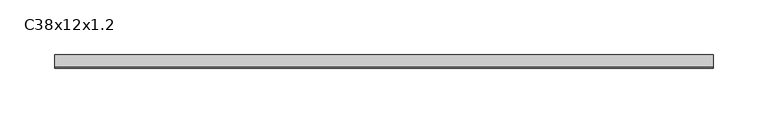
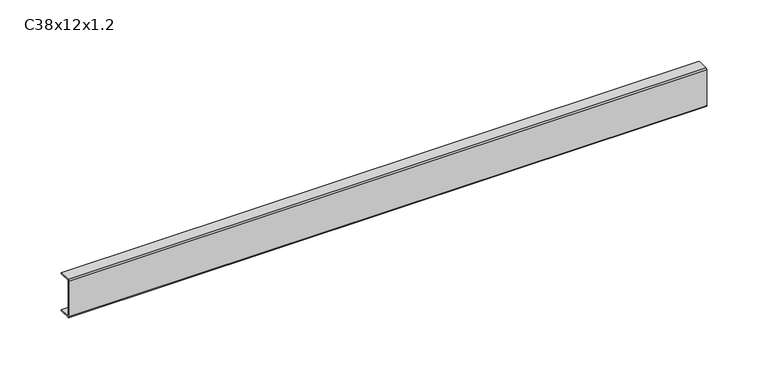
"""IFC4 building model written with IfcOpenShell, lengths in millimetres: proxy geometry, C38x12x1.2."""

import ifcopenshell
import ifcopenshell.guid

model = None  # the IFC model being written
_history = None  # IfcOwnerHistory: only IFC2X3 demands one
_inside = {}  # id of a spatial element -> (the spatial element, [elements in it])
_under = {}  # id of a project, library or spatial element -> (it, [spatial elements below it])
_declared = {}  # id of a project -> (the project, [libraries it declares])
_typed = {}  # id of a type object -> (the type object, [elements of that type])
_made_of = {}  # id of a material, layer set ... -> (it, [elements and type objects made of it])


def new_model(schema):
    """Start an empty IFC model of exactly this schema.

    Asked for "IFC4X3", IfcOpenShell would pick the latest addendum, in which some entities
    have other attributes; the version numbers below select the first issue.
    IFC2X3 requires an IfcOwnerHistory on every rooted entity: one is made here for all.
    """
    global model, _history
    if schema == "IFC4X3":
        model = ifcopenshell.file(schema_version=(4, 3, 0, 0))
    else:
        model = ifcopenshell.file(schema=schema)
    _inside.clear()
    _under.clear()
    _declared.clear()
    _typed.clear()
    _made_of.clear()
    _history = None
    if model.schema == "IFC2X3":
        org = make("IfcOrganization", Name="unknown")
        user = make(
            "IfcPersonAndOrganization",
            ThePerson=make("IfcPerson", FamilyName="unknown"),
            TheOrganization=org,
        )
        app = make(
            "IfcApplication",
            ApplicationDeveloper=org,
            Version="unknown",
            ApplicationFullName="unknown",
            ApplicationIdentifier="unknown",
        )
        _history = make(
            "IfcOwnerHistory",
            OwningUser=user,
            OwningApplication=app,
            ChangeAction="ADDED",
            CreationDate=0,
        )
    return model


def make(cls, **values):
    """One entity of the class cls with the attributes given. An attribute that is None is left unset."""
    return model.create_entity(
        cls, **{name: value for name, value in values.items() if value is not None}
    )


def rooted(cls, **values):
    """An entity with a GlobalId (a new one), such as an element, a storey or a relation."""
    return make(cls, GlobalId=ifcopenshell.guid.new(), OwnerHistory=_history, **values)


def si_unit(unit_type, name, prefix=None):
    """IfcSIUnit, for example si_unit("LENGTHUNIT", "METRE", prefix="MILLI")."""
    return make("IfcSIUnit", UnitType=unit_type, Prefix=prefix, Name=name)


def assignment(units):
    """IfcUnitAssignment: the units of a project."""
    return None if units is None else make("IfcUnitAssignment", Units=units)


def point(xyz):
    """IfcCartesianPoint."""
    return None if xyz is None else make("IfcCartesianPoint", Coordinates=xyz)


def direction(xyz):
    """IfcDirection."""
    return None if xyz is None else make("IfcDirection", DirectionRatios=xyz)


def frame(location, z_axis=None, x_axis=None):
    """IfcAxis2Placement3D, a coordinate frame: its origin and axes. An axis left out is left unset."""
    return make(
        "IfcAxis2Placement3D",
        Location=point(location),
        Axis=direction(z_axis),
        RefDirection=direction(x_axis),
    )


def frame_2d(location, x_axis=None):
    """IfcAxis2Placement2D, a coordinate frame in the plane: its origin and x axis."""
    return make(
        "IfcAxis2Placement2D", Location=point(location), RefDirection=direction(x_axis)
    )


def origin():
    """The frame at (0, 0, 0) with its axes left unset."""
    return frame((0.0, 0.0, 0.0))


def place(relative_to, where):
    """IfcLocalPlacement: puts the frame where relative to a parent placement (None: the world)."""
    return make(
        "IfcLocalPlacement", PlacementRelTo=relative_to, RelativePlacement=where
    )


def context(
    kind, dimensions, precision=None, world=None, true_north=None, identifier=None
):
    """IfcGeometricRepresentationContext, for example the 3D "Model" context."""
    return make(
        "IfcGeometricRepresentationContext",
        ContextIdentifier=identifier,
        ContextType=kind,
        CoordinateSpaceDimension=dimensions,
        Precision=precision,
        WorldCoordinateSystem=world,
        TrueNorth=true_north,
    )


def project(units=None, contexts=None):
    """IfcProject with its units and contexts."""
    return rooted(
        "IfcProject",
        Name="project",
        RepresentationContexts=contexts,
        UnitsInContext=assignment(units),
    )


def spatial(cls, under=None, at=None, **own):
    """A site, building, storey or space (cls), placed at a placement, below another one or the project."""
    s = rooted(cls, ObjectPlacement=at, **own)
    if under is not None:
        _under.setdefault(under.id(), (under, []))[1].append(s)
    return s


def polyline(points):
    """IfcPolyline through the points."""
    return make("IfcPolyline", Points=[point(p) for p in points])


def circle_curve(where, radius):
    """IfcCircle in the frame where."""
    return make("IfcCircle", Position=where, Radius=radius)


def trimmed(basis, trim1, trim2, sense, master):
    """IfcTrimmedCurve: the piece of a basis curve between two trims."""
    return make(
        "IfcTrimmedCurve",
        BasisCurve=basis,
        Trim1=trim1,
        Trim2=trim2,
        SenseAgreement=sense,
        MasterRepresentation=master,
    )


def segment(curve, same_sense, transition):
    """IfcCompositeCurveSegment."""
    return make(
        "IfcCompositeCurveSegment",
        Transition=transition,
        SameSense=same_sense,
        ParentCurve=curve,
    )


def composite_curve(segments, self_intersect=None):
    """IfcCompositeCurve: segments joined end to end."""
    return make("IfcCompositeCurve", Segments=segments, SelfIntersect=self_intersect)


def outline(outer, holes=None, kind="AREA"):
    """IfcArbitraryClosedProfileDef: a profile drawn as a closed curve; with holes, ...WithVoids."""
    if holes is None:
        return make("IfcArbitraryClosedProfileDef", ProfileType=kind, OuterCurve=outer)
    return make(
        "IfcArbitraryProfileDefWithVoids",
        ProfileType=kind,
        OuterCurve=outer,
        InnerCurves=holes,
    )


def extrude(swept, where, along, depth):
    """IfcExtrudedAreaSolid: the profile swept, set in the frame where, extruded along a direction by depth."""
    return make(
        "IfcExtrudedAreaSolid",
        SweptArea=swept,
        Position=where,
        ExtrudedDirection=direction(along),
        Depth=depth,
    )


def shape(context_of_items, identifier, shape_type, items):
    """IfcShapeRepresentation: the items that make up one representation, for example the "Body"."""
    return make(
        "IfcShapeRepresentation",
        ContextOfItems=context_of_items,
        RepresentationIdentifier=identifier,
        RepresentationType=shape_type,
        Items=items,
    )


def source(mapping_origin, context_of_items, identifier, shape_type, items):
    """IfcRepresentationMap: a shape defined once, which mapped items show again and again."""
    return make(
        "IfcRepresentationMap",
        MappingOrigin=mapping_origin,
        MappedRepresentation=shape(context_of_items, identifier, shape_type, items),
    )


def transform(
    local_origin,
    x_axis=None,
    y_axis=None,
    z_axis=None,
    scale=None,
    scale2=None,
    scale3=None,
    uniform=True,
):
    """IfcCartesianTransformationOperator3D, or its non-uniform kind. x_axis, y_axis, z_axis: its Axis1, 2, 3."""
    if uniform:
        return make(
            "IfcCartesianTransformationOperator3D",
            Axis1=direction(x_axis),
            Axis2=direction(y_axis),
            LocalOrigin=point(local_origin),
            Scale=scale,
            Axis3=direction(z_axis),
        )
    return make(
        "IfcCartesianTransformationOperator3DnonUniform",
        Axis1=direction(x_axis),
        Axis2=direction(y_axis),
        LocalOrigin=point(local_origin),
        Scale=scale,
        Axis3=direction(z_axis),
        Scale2=scale2,
        Scale3=scale3,
    )


def mapped(mapping_source, mapping_target):
    """IfcMappedItem: shows the shape of a source again, moved by a transform."""
    return make(
        "IfcMappedItem", MappingSource=mapping_source, MappingTarget=mapping_target
    )


def made_of(thing, what):
    """Note that an element or type object is made of a material, layer set ...; save() writes the relation."""
    if what is not None:
        _made_of.setdefault(what.id(), (what, []))[1].append(thing)
    return thing


def element(
    cls,
    number,
    at=None,
    inside=None,
    cuts=None,
    type_object=None,
    material=None,
    context=None,
    identifier="Body",
    shape_type=None,
    held_by="IfcProductDefinitionShape",
    body=None,
    shapes=None,
    **own,
):
    """One element of the class cls, such as IfcWall. Its Tag is "e" and its number.

    at: its placement. inside: the storey or other place that contains it. cuts: it is an
    opening in that element (IfcRelVoidsElement). A single representation is given by context,
    identifier, shape_type and body (its items); several are given by shapes. held_by: the class
    of the entity that holds the representations. save() writes the other relations.
    """
    e = rooted(cls, Tag="e%d" % number, ObjectPlacement=at, **own)
    if body is not None:
        shapes = [shape(context, identifier, shape_type, body)]
    if shapes is not None:
        e.Representation = make(held_by, Representations=shapes)
    if inside is not None:
        _inside.setdefault(inside.id(), (inside, []))[1].append(e)
    if cuts is not None:
        rooted(
            "IfcRelVoidsElement", RelatingBuildingElement=cuts, RelatedOpeningElement=e
        )
    if type_object is not None:
        _typed.setdefault(type_object.id(), (type_object, []))[1].append(e)
    return made_of(e, material)


def aggregate(whole, parts):
    """IfcRelAggregates: a whole, such as a stair, and the parts it consists of."""
    return rooted("IfcRelAggregates", RelatingObject=whole, RelatedObjects=parts)


def save(model, path):
    """Write the relations noted so far, then the file.

    IfcRelAggregates (storeys below a building ...), IfcRelContainedInSpatialStructure (elements
    in a storey), IfcRelDefinesByType, IfcRelAssociatesMaterial and IfcRelDeclares: one each for
    every whole, place, type object, material and project.
    """
    for whole, parts in _under.values():
        aggregate(whole, parts)
    for where, things in _inside.values():
        rooted(
            "IfcRelContainedInSpatialStructure",
            RelatedElements=things,
            RelatingStructure=where,
        )
    for kind, things in _typed.values():
        rooted("IfcRelDefinesByType", RelatedObjects=things, RelatingType=kind)
    for what, things in _made_of.values():
        rooted("IfcRelAssociatesMaterial", RelatedObjects=things, RelatingMaterial=what)
    for by, libraries in _declared.values():
        rooted("IfcRelDeclares", RelatingContext=by, RelatedDefinitions=libraries)
    model.write(path)


def c38x12x1_2_1acac2e2(model_context):
    return source(origin(), model_context, "Body", "SweptSolid", [
        extrude(outline(composite_curve([segment(polyline([(6.0, 36.8), (-4.8, 36.8), (-4.8, 1.2), (6.0, 1.2), (6.0, 0.0), (-4.8, 0.0)]), True, "CONTINUOUS"), segment(trimmed(circle_curve(frame_2d((-4.8, 1.2)), 1.2), [point((-4.8, 0.0))], [point((-6.0, 1.2))], False, "CARTESIAN"), True, "CONTINUOUS"), segment(polyline([(-6.0, 1.2), (-6.0, 36.8)]), True, "CONTINUOUS"), segment(trimmed(circle_curve(frame_2d((-4.8, 36.8)), 1.2), [point((-6.0, 36.8))], [point((-4.8, 38.0))], False, "CARTESIAN"), True, "CONTINUOUS"), segment(polyline([(-4.8, 38.0), (6.0, 38.0), (6.0, 36.8)]), True, "CONTINUOUS")], self_intersect=False)), frame((0.0, 0.0, 0.0), z_axis=(1.0, 0.0, 0.0), x_axis=(0.0, 1.0, 0.0)), (0.0, 0.0, 1.0), 600.0),
    ])


if __name__ == "__main__":
    model = new_model("IFC4")
    model_context = context("Model", 3, world=origin())
    ifc_project = project(units=[si_unit("LENGTHUNIT", "METRE", prefix="MILLI")], contexts=[model_context])
    site = spatial("IfcSite", under=ifc_project)
    building = spatial("IfcBuilding", under=site)
    placement = place(None, origin())
    c38x12x1_2_shape = c38x12x1_2_1acac2e2(model_context)
    element("IfcBuildingElementProxy", 1, Name="C38x12x1.2", ObjectType="C38x12x1.2", at=placement, inside=building, context=model_context, shape_type="MappedRepresentation", body=[
        mapped(c38x12x1_2_shape, transform((0.0, 0.0, 0.0), x_axis=(1.0, 0.0, 0.0), y_axis=(0.0, 1.0, 0.0), z_axis=(0.0, 0.0, 1.0))),
    ])
    save(model, "model.ifc")
